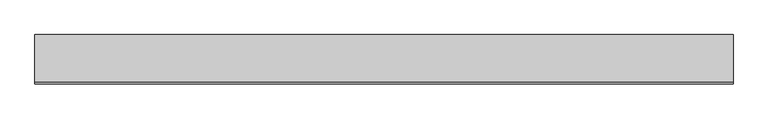
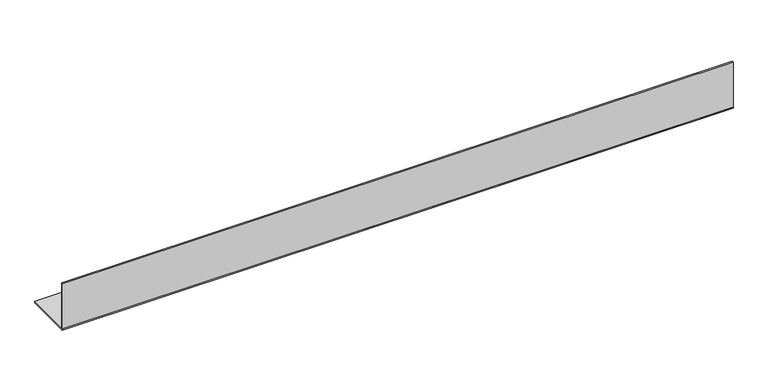
"""IFC4 building model written with IfcOpenShell, lengths in millimetres: proxy geometry."""

import ifcopenshell
import ifcopenshell.guid

model = None  # the IFC model being written
_history = None  # IfcOwnerHistory: only IFC2X3 demands one
_inside = {}  # id of a spatial element -> (the spatial element, [elements in it])
_under = {}  # id of a project, library or spatial element -> (it, [spatial elements below it])
_declared = {}  # id of a project -> (the project, [libraries it declares])
_typed = {}  # id of a type object -> (the type object, [elements of that type])
_made_of = {}  # id of a material, layer set ... -> (it, [elements and type objects made of it])


def new_model(schema):
    """Start an empty IFC model of exactly this schema.

    Asked for "IFC4X3", IfcOpenShell would pick the latest addendum, in which some entities
    have other attributes; the version numbers below select the first issue.
    IFC2X3 requires an IfcOwnerHistory on every rooted entity: one is made here for all.
    """
    global model, _history
    if schema == "IFC4X3":
        model = ifcopenshell.file(schema_version=(4, 3, 0, 0))
    else:
        model = ifcopenshell.file(schema=schema)
    _inside.clear()
    _under.clear()
    _declared.clear()
    _typed.clear()
    _made_of.clear()
    _history = None
    if model.schema == "IFC2X3":
        org = make("IfcOrganization", Name="unknown")
        user = make(
            "IfcPersonAndOrganization",
            ThePerson=make("IfcPerson", FamilyName="unknown"),
            TheOrganization=org,
        )
        app = make(
            "IfcApplication",
            ApplicationDeveloper=org,
            Version="unknown",
            ApplicationFullName="unknown",
            ApplicationIdentifier="unknown",
        )
        _history = make(
            "IfcOwnerHistory",
            OwningUser=user,
            OwningApplication=app,
            ChangeAction="ADDED",
            CreationDate=0,
        )
    return model


def make(cls, **values):
    """One entity of the class cls with the attributes given. An attribute that is None is left unset."""
    return model.create_entity(
        cls, **{name: value for name, value in values.items() if value is not None}
    )


def rooted(cls, **values):
    """An entity with a GlobalId (a new one), such as an element, a storey or a relation."""
    return make(cls, GlobalId=ifcopenshell.guid.new(), OwnerHistory=_history, **values)


def si_unit(unit_type, name, prefix=None):
    """IfcSIUnit, for example si_unit("LENGTHUNIT", "METRE", prefix="MILLI")."""
    return make("IfcSIUnit", UnitType=unit_type, Prefix=prefix, Name=name)


def assignment(units):
    """IfcUnitAssignment: the units of a project."""
    return None if units is None else make("IfcUnitAssignment", Units=units)


def point(xyz):
    """IfcCartesianPoint."""
    return None if xyz is None else make("IfcCartesianPoint", Coordinates=xyz)


def direction(xyz):
    """IfcDirection."""
    return None if xyz is None else make("IfcDirection", DirectionRatios=xyz)


def frame(location, z_axis=None, x_axis=None):
    """IfcAxis2Placement3D, a coordinate frame: its origin and axes. An axis left out is left unset."""
    return make(
        "IfcAxis2Placement3D",
        Location=point(location),
        Axis=direction(z_axis),
        RefDirection=direction(x_axis),
    )


def origin():
    """The frame at (0, 0, 0) with its axes left unset."""
    return frame((0.0, 0.0, 0.0))


def origin_with_axes():
    """The frame at (0, 0, 0) with the z axis (0, 0, 1) and the x axis (1, 0, 0) written out."""
    return frame((0.0, 0.0, 0.0), z_axis=(0.0, 0.0, 1.0), x_axis=(1.0, 0.0, 0.0))


def place(relative_to, where):
    """IfcLocalPlacement: puts the frame where relative to a parent placement (None: the world)."""
    return make(
        "IfcLocalPlacement", PlacementRelTo=relative_to, RelativePlacement=where
    )


def context(
    kind, dimensions, precision=None, world=None, true_north=None, identifier=None
):
    """IfcGeometricRepresentationContext, for example the 3D "Model" context."""
    return make(
        "IfcGeometricRepresentationContext",
        ContextIdentifier=identifier,
        ContextType=kind,
        CoordinateSpaceDimension=dimensions,
        Precision=precision,
        WorldCoordinateSystem=world,
        TrueNorth=true_north,
    )


def project(units=None, contexts=None):
    """IfcProject with its units and contexts."""
    return rooted(
        "IfcProject",
        Name="project",
        RepresentationContexts=contexts,
        UnitsInContext=assignment(units),
    )


def spatial(cls, under=None, at=None, **own):
    """A site, building, storey or space (cls), placed at a placement, below another one or the project."""
    s = rooted(cls, ObjectPlacement=at, **own)
    if under is not None:
        _under.setdefault(under.id(), (under, []))[1].append(s)
    return s


def polyline(points):
    """IfcPolyline through the points."""
    return make("IfcPolyline", Points=[point(p) for p in points])


def outline(outer, holes=None, kind="AREA"):
    """IfcArbitraryClosedProfileDef: a profile drawn as a closed curve; with holes, ...WithVoids."""
    if holes is None:
        return make("IfcArbitraryClosedProfileDef", ProfileType=kind, OuterCurve=outer)
    return make(
        "IfcArbitraryProfileDefWithVoids",
        ProfileType=kind,
        OuterCurve=outer,
        InnerCurves=holes,
    )


def extrude(swept, where, along, depth):
    """IfcExtrudedAreaSolid: the profile swept, set in the frame where, extruded along a direction by depth."""
    return make(
        "IfcExtrudedAreaSolid",
        SweptArea=swept,
        Position=where,
        ExtrudedDirection=direction(along),
        Depth=depth,
    )


def shape(context_of_items, identifier, shape_type, items):
    """IfcShapeRepresentation: the items that make up one representation, for example the "Body"."""
    return make(
        "IfcShapeRepresentation",
        ContextOfItems=context_of_items,
        RepresentationIdentifier=identifier,
        RepresentationType=shape_type,
        Items=items,
    )


def source(mapping_origin, context_of_items, identifier, shape_type, items):
    """IfcRepresentationMap: a shape defined once, which mapped items show again and again."""
    return make(
        "IfcRepresentationMap",
        MappingOrigin=mapping_origin,
        MappedRepresentation=shape(context_of_items, identifier, shape_type, items),
    )


def transform(
    local_origin,
    x_axis=None,
    y_axis=None,
    z_axis=None,
    scale=None,
    scale2=None,
    scale3=None,
    uniform=True,
):
    """IfcCartesianTransformationOperator3D, or its non-uniform kind. x_axis, y_axis, z_axis: its Axis1, 2, 3."""
    if uniform:
        return make(
            "IfcCartesianTransformationOperator3D",
            Axis1=direction(x_axis),
            Axis2=direction(y_axis),
            LocalOrigin=point(local_origin),
            Scale=scale,
            Axis3=direction(z_axis),
        )
    return make(
        "IfcCartesianTransformationOperator3DnonUniform",
        Axis1=direction(x_axis),
        Axis2=direction(y_axis),
        LocalOrigin=point(local_origin),
        Scale=scale,
        Axis3=direction(z_axis),
        Scale2=scale2,
        Scale3=scale3,
    )


def mapped(mapping_source, mapping_target):
    """IfcMappedItem: shows the shape of a source again, moved by a transform."""
    return make(
        "IfcMappedItem", MappingSource=mapping_source, MappingTarget=mapping_target
    )


def made_of(thing, what):
    """Note that an element or type object is made of a material, layer set ...; save() writes the relation."""
    if what is not None:
        _made_of.setdefault(what.id(), (what, []))[1].append(thing)
    return thing


def element(
    cls,
    number,
    at=None,
    inside=None,
    cuts=None,
    type_object=None,
    material=None,
    context=None,
    identifier="Body",
    shape_type=None,
    held_by="IfcProductDefinitionShape",
    body=None,
    shapes=None,
    **own,
):
    """One element of the class cls, such as IfcWall. Its Tag is "e" and its number.

    at: its placement. inside: the storey or other place that contains it. cuts: it is an
    opening in that element (IfcRelVoidsElement). A single representation is given by context,
    identifier, shape_type and body (its items); several are given by shapes. held_by: the class
    of the entity that holds the representations. save() writes the other relations.
    """
    e = rooted(cls, Tag="e%d" % number, ObjectPlacement=at, **own)
    if body is not None:
        shapes = [shape(context, identifier, shape_type, body)]
    if shapes is not None:
        e.Representation = make(held_by, Representations=shapes)
    if inside is not None:
        _inside.setdefault(inside.id(), (inside, []))[1].append(e)
    if cuts is not None:
        rooted(
            "IfcRelVoidsElement", RelatingBuildingElement=cuts, RelatedOpeningElement=e
        )
    if type_object is not None:
        _typed.setdefault(type_object.id(), (type_object, []))[1].append(e)
    return made_of(e, material)


def aggregate(whole, parts):
    """IfcRelAggregates: a whole, such as a stair, and the parts it consists of."""
    return rooted("IfcRelAggregates", RelatingObject=whole, RelatedObjects=parts)


def save(model, path):
    """Write the relations noted so far, then the file.

    IfcRelAggregates (storeys below a building ...), IfcRelContainedInSpatialStructure (elements
    in a storey), IfcRelDefinesByType, IfcRelAssociatesMaterial and IfcRelDeclares: one each for
    every whole, place, type object, material and project.
    """
    for whole, parts in _under.values():
        aggregate(whole, parts)
    for where, things in _inside.values():
        rooted(
            "IfcRelContainedInSpatialStructure",
            RelatedElements=things,
            RelatingStructure=where,
        )
    for kind, things in _typed.values():
        rooted("IfcRelDefinesByType", RelatedObjects=things, RelatingType=kind)
    for what, things in _made_of.values():
        rooted("IfcRelAssociatesMaterial", RelatedObjects=things, RelatingMaterial=what)
    for by, libraries in _declared.values():
        rooted("IfcRelDeclares", RelatingContext=by, RelatedDefinitions=libraries)
    model.write(path)


def generic_models_1179b274(model_context):
    return source(origin(), model_context, "Body", "SweptSolid", [
        extrude(outline(polyline([(1200.0, 0.0), (0.0, 0.0), (0.0, 2.5), (1200.0, 2.5), (1200.0, 0.0)])), frame((0.0, 0.0, 2.5), z_axis=(0.0, 0.0, 1.0), x_axis=(1.0, 0.0, 0.0)), (0.0, 0.0, 1.0), 85.0),
        extrude(outline(polyline([(1200.0, 85.0), (1200.0, 0.0), (0.0, 0.0), (0.0, 85.0), (1200.0, 85.0)])), origin_with_axes(), (0.0, 0.0, 1.0), 2.5),
    ])


if __name__ == "__main__":
    model = new_model("IFC4")
    model_context = context("Model", 3, world=origin())
    ifc_project = project(units=[si_unit("LENGTHUNIT", "METRE", prefix="MILLI")], contexts=[model_context])
    site = spatial("IfcSite", under=ifc_project)
    building = spatial("IfcBuilding", under=site)
    placement = place(None, origin())
    generic_models_shape = generic_models_1179b274(model_context)
    element("IfcBuildingElementProxy", 1, Name="Generic Models", at=placement, inside=building, context=model_context, shape_type="MappedRepresentation", body=[
        mapped(generic_models_shape, transform((0.0, 0.0, 0.0), x_axis=(1.0, 0.0, 0.0), y_axis=(0.0, 1.0, 0.0), z_axis=(0.0, 0.0, 1.0))),
    ])
    save(model, "model.ifc")
